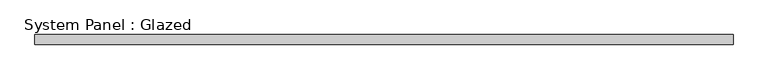
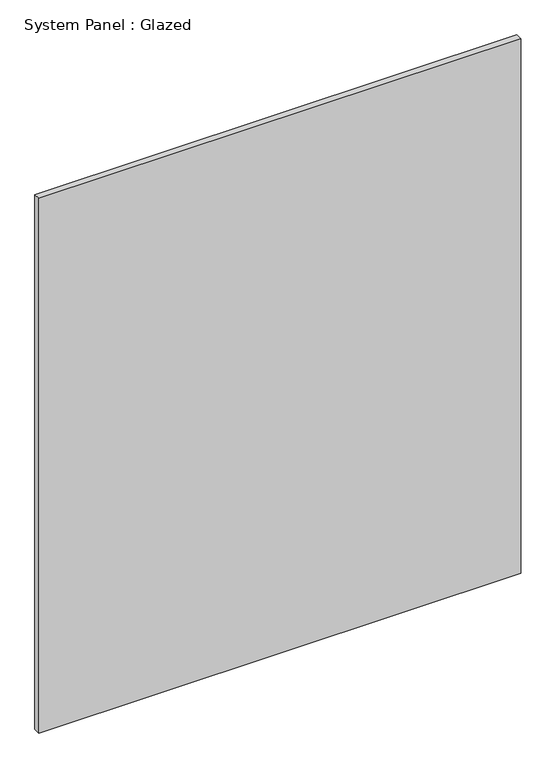
"""IFC4 building model written with IfcOpenShell, lengths in millimetres: plate geometry, System Panel : Glazed."""

from ifc_helpers import new_model, si_unit, origin, origin_with_axes, place, context, project, spatial, polyline, outline, extrude, source, transform, mapped, element, save


def system_panel_glazed_9c456c58(model_context):
    return source(origin(), model_context, "Body", "SweptSolid", [
        extrude(outline(polyline([(882.65, -44.45), (-882.65, -44.45), (-882.65, -19.05), (882.65, -19.05), (882.65, -44.45)])), origin_with_axes(), (0.0, 0.0, 1.0), 2070.1),
    ])


if __name__ == "__main__":
    model = new_model("IFC4")
    model_context = context("Model", 3, world=origin())
    ifc_project = project(units=[si_unit("LENGTHUNIT", "METRE", prefix="MILLI")], contexts=[model_context])
    site = spatial("IfcSite", under=ifc_project)
    building = spatial("IfcBuilding", under=site)
    placement = place(None, origin())
    system_panel_glazed_shape = system_panel_glazed_9c456c58(model_context)
    element("IfcPlate", 1, ObjectType="System Panel : Glazed", at=placement, inside=building, context=model_context, shape_type="MappedRepresentation", body=[
        mapped(system_panel_glazed_shape, transform((0.0, 0.0, 0.0), x_axis=(1.0, 0.0, 0.0), y_axis=(0.0, 1.0, 0.0), z_axis=(0.0, 0.0, 1.0))),
    ])
    save(model, "model.ifc")
